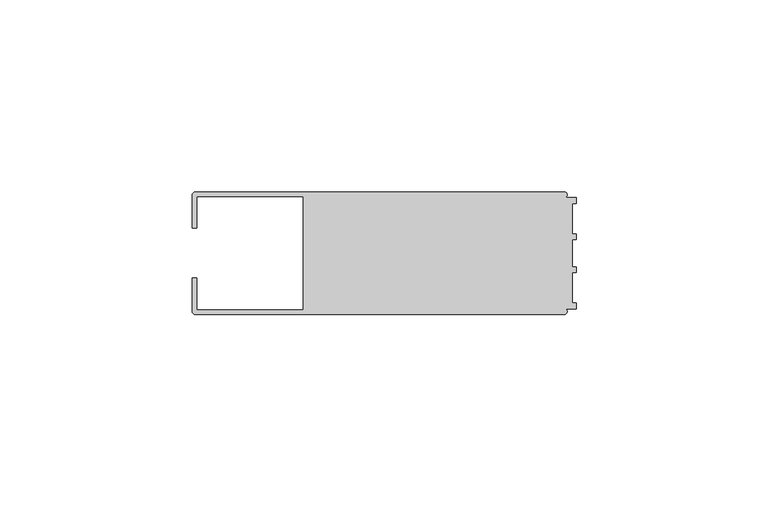
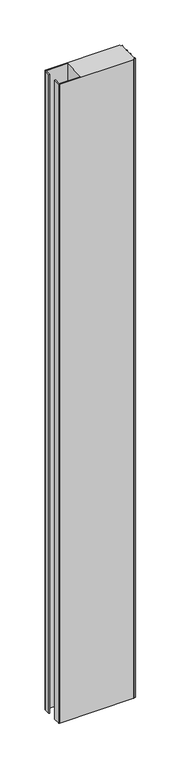
"""IFC4 building model written with IfcOpenShell, lengths in millimetres: member geometry."""

from ifc_helpers import new_model, si_unit, point, frame, frame_2d, origin, place, context, project, spatial, polyline, circle_curve, trimmed, segment, composite_curve, outline, extrude, source, transform, mapped, element, save


def member_8a1a9ff4(model_context):
    return source(origin(), model_context, "Body", "SweptSolid", [
        extrude(outline(composite_curve([segment(polyline([(-100.0, 6.5), (-100.0, 14.998921)]), True, "CONTINUOUS"), segment(trimmed(circle_curve(frame_2d((-98.998921, 14.998921)), 1.001079), [point((-100.0, 14.998921))], [point((-98.998921, 16.0))], False, "CARTESIAN"), True, "CONTINUOUS"), segment(polyline([(-98.998921, 16.0), (-3.1385263, 16.0)]), True, "CONTINUOUS"), segment(trimmed(circle_curve(frame_2d((-3.1117577, 15.2001372)), 0.8003107), [point((-3.1385263, 16.0))], [point((-2.7260256, 14.4989182))], False, "CARTESIAN"), True, "CONTINUOUS"), segment(polyline([(-2.7260256, 14.4989182), (0.0, 14.4989182), (0.0, 12.9993664), (-0.999267, 12.9993664), (-0.999267, 5.0000405), (0.0, 5.0000405), (0.0, 3.5386284), (-0.999267, 3.5009282), (-0.999267, -3.5009282), (0.0, -3.5398992), (0.0, -5.0013113), (-0.999267, -5.0013113), (-0.999267, -13.0002136), (0.0, -13.0002136), (0.0, -14.5004469), (-2.7237818, -14.5004469)]), True, "CONTINUOUS"), segment(trimmed(circle_curve(frame_2d((-3.1117213, -15.2000428)), 0.7999572), [point((-2.7237818, -14.5004469))], [point((-3.1117213, -16.0))], False, "CARTESIAN"), True, "CONTINUOUS"), segment(polyline([(-3.1117213, -16.0), (-98.9988146, -16.0)]), True, "CONTINUOUS"), segment(trimmed(circle_curve(frame_2d((-98.9988146, -14.9988146)), 1.0011854), [point((-98.9988146, -16.0))], [point((-100.0, -14.9988146))], False, "CARTESIAN"), True, "CONTINUOUS"), segment(polyline([(-100.0, -14.9988146), (-100.0, -6.5002542), (-98.7495396, -6.5002542), (-98.7495396, -14.7490791), (-71.0, -14.7490791), (-71.0, 14.748825), (-98.7495396, 14.748825), (-98.7495396, 6.5), (-100.0, 6.5)]), True, "CONTINUOUS")], self_intersect=False)), frame((0.0, 0.0, -872.7561968), z_axis=(0.0, 0.0, 1.0), x_axis=(1.0, 0.0, 0.0)), (0.0, 0.0, 1.0), 872.7561968),
    ])


if __name__ == "__main__":
    model = new_model("IFC4")
    model_context = context("Model", 3, world=origin())
    ifc_project = project(units=[si_unit("LENGTHUNIT", "METRE", prefix="MILLI")], contexts=[model_context])
    site = spatial("IfcSite", under=ifc_project)
    building = spatial("IfcBuilding", under=site)
    placement = place(None, origin())
    member_shape = member_8a1a9ff4(model_context)
    element("IfcMember", 1, at=placement, inside=building, context=model_context, shape_type="MappedRepresentation", body=[
        mapped(member_shape, transform((0.0, 0.0, 0.0), x_axis=(1.0, 0.0, 0.0), y_axis=(0.0, 1.0, 0.0), z_axis=(0.0, 0.0, 1.0))),
    ])
    save(model, "model.ifc")
